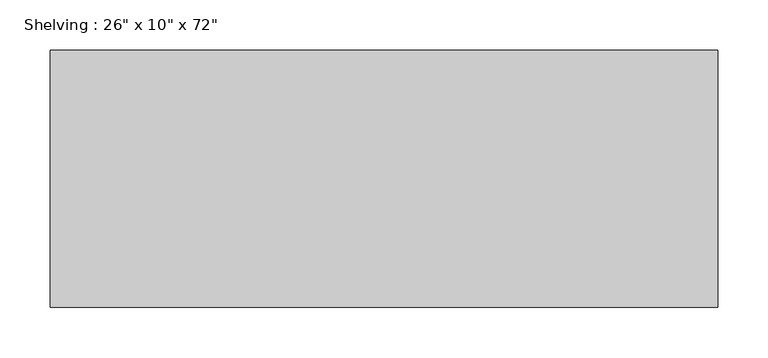
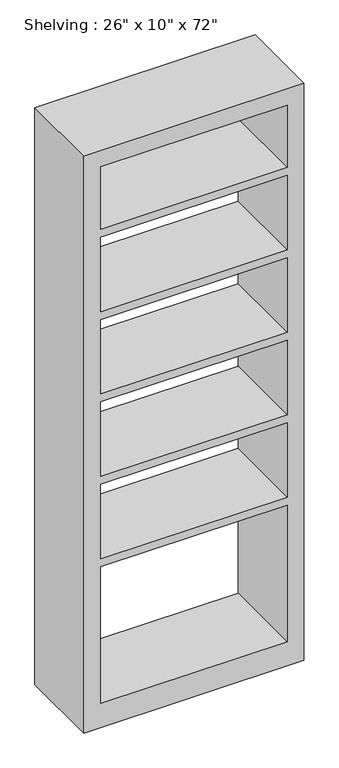
"""IFC4 building model written with IfcOpenShell, lengths in millimetres: furniture geometry."""

import ifcopenshell
import ifcopenshell.guid

model = None  # the IFC model being written
_history = None  # IfcOwnerHistory: only IFC2X3 demands one
_inside = {}  # id of a spatial element -> (the spatial element, [elements in it])
_under = {}  # id of a project, library or spatial element -> (it, [spatial elements below it])
_declared = {}  # id of a project -> (the project, [libraries it declares])
_typed = {}  # id of a type object -> (the type object, [elements of that type])
_made_of = {}  # id of a material, layer set ... -> (it, [elements and type objects made of it])


def new_model(schema):
    """Start an empty IFC model of exactly this schema.

    Asked for "IFC4X3", IfcOpenShell would pick the latest addendum, in which some entities
    have other attributes; the version numbers below select the first issue.
    IFC2X3 requires an IfcOwnerHistory on every rooted entity: one is made here for all.
    """
    global model, _history
    if schema == "IFC4X3":
        model = ifcopenshell.file(schema_version=(4, 3, 0, 0))
    else:
        model = ifcopenshell.file(schema=schema)
    _inside.clear()
    _under.clear()
    _declared.clear()
    _typed.clear()
    _made_of.clear()
    _history = None
    if model.schema == "IFC2X3":
        org = make("IfcOrganization", Name="unknown")
        user = make(
            "IfcPersonAndOrganization",
            ThePerson=make("IfcPerson", FamilyName="unknown"),
            TheOrganization=org,
        )
        app = make(
            "IfcApplication",
            ApplicationDeveloper=org,
            Version="unknown",
            ApplicationFullName="unknown",
            ApplicationIdentifier="unknown",
        )
        _history = make(
            "IfcOwnerHistory",
            OwningUser=user,
            OwningApplication=app,
            ChangeAction="ADDED",
            CreationDate=0,
        )
    return model


def make(cls, **values):
    """One entity of the class cls with the attributes given. An attribute that is None is left unset."""
    return model.create_entity(
        cls, **{name: value for name, value in values.items() if value is not None}
    )


def rooted(cls, **values):
    """An entity with a GlobalId (a new one), such as an element, a storey or a relation."""
    return make(cls, GlobalId=ifcopenshell.guid.new(), OwnerHistory=_history, **values)


def si_unit(unit_type, name, prefix=None):
    """IfcSIUnit, for example si_unit("LENGTHUNIT", "METRE", prefix="MILLI")."""
    return make("IfcSIUnit", UnitType=unit_type, Prefix=prefix, Name=name)


def assignment(units):
    """IfcUnitAssignment: the units of a project."""
    return None if units is None else make("IfcUnitAssignment", Units=units)


def point(xyz):
    """IfcCartesianPoint."""
    return None if xyz is None else make("IfcCartesianPoint", Coordinates=xyz)


def direction(xyz):
    """IfcDirection."""
    return None if xyz is None else make("IfcDirection", DirectionRatios=xyz)


def frame(location, z_axis=None, x_axis=None):
    """IfcAxis2Placement3D, a coordinate frame: its origin and axes. An axis left out is left unset."""
    return make(
        "IfcAxis2Placement3D",
        Location=point(location),
        Axis=direction(z_axis),
        RefDirection=direction(x_axis),
    )


def origin():
    """The frame at (0, 0, 0) with its axes left unset."""
    return frame((0.0, 0.0, 0.0))


def place(relative_to, where):
    """IfcLocalPlacement: puts the frame where relative to a parent placement (None: the world)."""
    return make(
        "IfcLocalPlacement", PlacementRelTo=relative_to, RelativePlacement=where
    )


def context(
    kind, dimensions, precision=None, world=None, true_north=None, identifier=None
):
    """IfcGeometricRepresentationContext, for example the 3D "Model" context."""
    return make(
        "IfcGeometricRepresentationContext",
        ContextIdentifier=identifier,
        ContextType=kind,
        CoordinateSpaceDimension=dimensions,
        Precision=precision,
        WorldCoordinateSystem=world,
        TrueNorth=true_north,
    )


def project(units=None, contexts=None):
    """IfcProject with its units and contexts."""
    return rooted(
        "IfcProject",
        Name="project",
        RepresentationContexts=contexts,
        UnitsInContext=assignment(units),
    )


def spatial(cls, under=None, at=None, **own):
    """A site, building, storey or space (cls), placed at a placement, below another one or the project."""
    s = rooted(cls, ObjectPlacement=at, **own)
    if under is not None:
        _under.setdefault(under.id(), (under, []))[1].append(s)
    return s


def polyline(points):
    """IfcPolyline through the points."""
    return make("IfcPolyline", Points=[point(p) for p in points])


def outline(outer, holes=None, kind="AREA"):
    """IfcArbitraryClosedProfileDef: a profile drawn as a closed curve; with holes, ...WithVoids."""
    if holes is None:
        return make("IfcArbitraryClosedProfileDef", ProfileType=kind, OuterCurve=outer)
    return make(
        "IfcArbitraryProfileDefWithVoids",
        ProfileType=kind,
        OuterCurve=outer,
        InnerCurves=holes,
    )


def extrude(swept, where, along, depth):
    """IfcExtrudedAreaSolid: the profile swept, set in the frame where, extruded along a direction by depth."""
    return make(
        "IfcExtrudedAreaSolid",
        SweptArea=swept,
        Position=where,
        ExtrudedDirection=direction(along),
        Depth=depth,
    )


def shape(context_of_items, identifier, shape_type, items):
    """IfcShapeRepresentation: the items that make up one representation, for example the "Body"."""
    return make(
        "IfcShapeRepresentation",
        ContextOfItems=context_of_items,
        RepresentationIdentifier=identifier,
        RepresentationType=shape_type,
        Items=items,
    )


def source(mapping_origin, context_of_items, identifier, shape_type, items):
    """IfcRepresentationMap: a shape defined once, which mapped items show again and again."""
    return make(
        "IfcRepresentationMap",
        MappingOrigin=mapping_origin,
        MappedRepresentation=shape(context_of_items, identifier, shape_type, items),
    )


def transform(
    local_origin,
    x_axis=None,
    y_axis=None,
    z_axis=None,
    scale=None,
    scale2=None,
    scale3=None,
    uniform=True,
):
    """IfcCartesianTransformationOperator3D, or its non-uniform kind. x_axis, y_axis, z_axis: its Axis1, 2, 3."""
    if uniform:
        return make(
            "IfcCartesianTransformationOperator3D",
            Axis1=direction(x_axis),
            Axis2=direction(y_axis),
            LocalOrigin=point(local_origin),
            Scale=scale,
            Axis3=direction(z_axis),
        )
    return make(
        "IfcCartesianTransformationOperator3DnonUniform",
        Axis1=direction(x_axis),
        Axis2=direction(y_axis),
        LocalOrigin=point(local_origin),
        Scale=scale,
        Axis3=direction(z_axis),
        Scale2=scale2,
        Scale3=scale3,
    )


def mapped(mapping_source, mapping_target):
    """IfcMappedItem: shows the shape of a source again, moved by a transform."""
    return make(
        "IfcMappedItem", MappingSource=mapping_source, MappingTarget=mapping_target
    )


def made_of(thing, what):
    """Note that an element or type object is made of a material, layer set ...; save() writes the relation."""
    if what is not None:
        _made_of.setdefault(what.id(), (what, []))[1].append(thing)
    return thing


def element(
    cls,
    number,
    at=None,
    inside=None,
    cuts=None,
    type_object=None,
    material=None,
    context=None,
    identifier="Body",
    shape_type=None,
    held_by="IfcProductDefinitionShape",
    body=None,
    shapes=None,
    **own,
):
    """One element of the class cls, such as IfcWall. Its Tag is "e" and its number.

    at: its placement. inside: the storey or other place that contains it. cuts: it is an
    opening in that element (IfcRelVoidsElement). A single representation is given by context,
    identifier, shape_type and body (its items); several are given by shapes. held_by: the class
    of the entity that holds the representations. save() writes the other relations.
    """
    e = rooted(cls, Tag="e%d" % number, ObjectPlacement=at, **own)
    if body is not None:
        shapes = [shape(context, identifier, shape_type, body)]
    if shapes is not None:
        e.Representation = make(held_by, Representations=shapes)
    if inside is not None:
        _inside.setdefault(inside.id(), (inside, []))[1].append(e)
    if cuts is not None:
        rooted(
            "IfcRelVoidsElement", RelatingBuildingElement=cuts, RelatedOpeningElement=e
        )
    if type_object is not None:
        _typed.setdefault(type_object.id(), (type_object, []))[1].append(e)
    return made_of(e, material)


def aggregate(whole, parts):
    """IfcRelAggregates: a whole, such as a stair, and the parts it consists of."""
    return rooted("IfcRelAggregates", RelatingObject=whole, RelatedObjects=parts)


def save(model, path):
    """Write the relations noted so far, then the file.

    IfcRelAggregates (storeys below a building ...), IfcRelContainedInSpatialStructure (elements
    in a storey), IfcRelDefinesByType, IfcRelAssociatesMaterial and IfcRelDeclares: one each for
    every whole, place, type object, material and project.
    """
    for whole, parts in _under.values():
        aggregate(whole, parts)
    for where, things in _inside.values():
        rooted(
            "IfcRelContainedInSpatialStructure",
            RelatedElements=things,
            RelatingStructure=where,
        )
    for kind, things in _typed.values():
        rooted("IfcRelDefinesByType", RelatedObjects=things, RelatingType=kind)
    for what, things in _made_of.values():
        rooted("IfcRelAssociatesMaterial", RelatedObjects=things, RelatingMaterial=what)
    for by, libraries in _declared.values():
        rooted("IfcRelDeclares", RelatingContext=by, RelatedDefinitions=libraries)
    model.write(path)


def furniture_9e6b84c3(model_context):
    return source(origin(), model_context, "Body", "SweptSolid", [
        extrude(outline(polyline([(0.0, 330.2), (1828.8, 330.2), (1828.8, -330.2), (0.0, -330.2), (0.0, 330.2)]), holes=[polyline([(1778.0, 279.4), (1580.2428571, 279.4), (1580.2428571, -279.4), (1778.0, -279.4), (1778.0, 279.4)]), polyline([(76.2, 279.4), (76.2, -279.4), (509.8142857, -279.4), (509.8142857, 279.4), (76.2, 279.4)]), polyline([(1057.7285714, -279.4), (1293.5857143, -279.4), (1293.5857143, 279.4), (1057.7285714, 279.4), (1057.7285714, -279.4)]), polyline([(1554.8428571, 279.4), (1318.9857143, 279.4), (1318.9857143, -279.4), (1554.8428571, -279.4), (1554.8428571, 279.4)]), polyline([(1032.3285714, 279.4), (796.4714286, 279.4), (796.4714286, -279.4), (1032.3285714, -279.4), (1032.3285714, 279.4)]), polyline([(771.0714286, 279.4), (535.2142857, 279.4), (535.2142857, -279.4), (771.0714286, -279.4), (771.0714286, 279.4)])]), frame((0.0, 177.8, 0.0), z_axis=(0.0, 1.0, 0.0), x_axis=(0.0, 0.0, 1.0)), (0.0, 0.0, 1.0), 254.0),
    ])


if __name__ == "__main__":
    model = new_model("IFC4")
    model_context = context("Model", 3, world=origin())
    ifc_project = project(units=[si_unit("LENGTHUNIT", "METRE", prefix="MILLI")], contexts=[model_context])
    site = spatial("IfcSite", under=ifc_project)
    building = spatial("IfcBuilding", under=site)
    placement = place(None, origin())
    furniture_shape = furniture_9e6b84c3(model_context)
    element("IfcFurniture", 1, ObjectType="Shelving : 26\" x 10\" x 72\"", at=placement, inside=building, context=model_context, shape_type="MappedRepresentation", body=[
        mapped(furniture_shape, transform((0.0, 0.0, 0.0), x_axis=(1.0, 0.0, 0.0), y_axis=(0.0, 1.0, 0.0), z_axis=(0.0, 0.0, 1.0))),
    ])
    save(model, "model.ifc")
